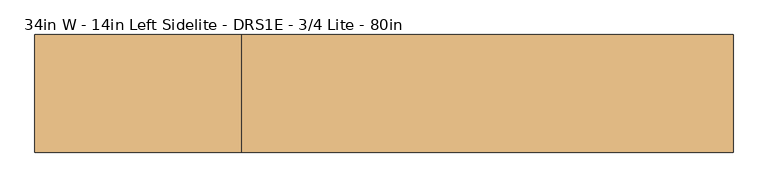
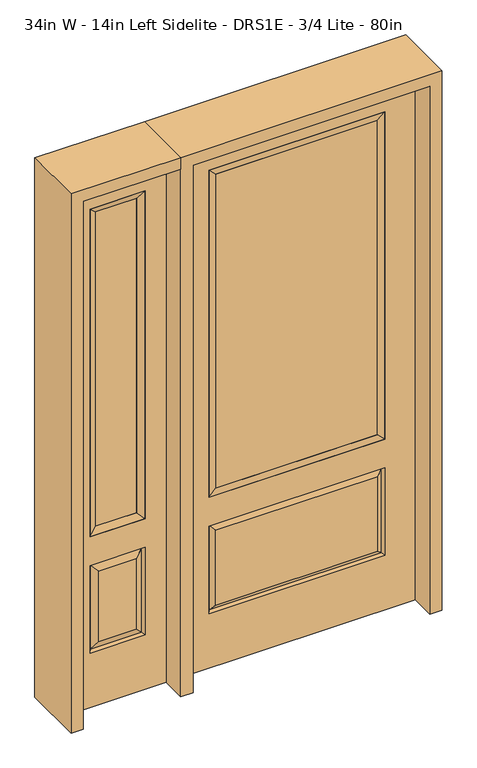
"""IFC4 building model written with IfcOpenShell, lengths in millimetres: door geometry, 34in W - 14in Left Sidelite - DRS1E - 3/4 Lite - 80in."""

from ifc_helpers import new_model, si_unit, frame, origin, place, context, project, spatial, polyline, outline, extrude, faceted_brep, source, transform, mapped, element, save


def door_34in_w_14in_left_sidelite_drs1e_3_4_lite_80in_abe314d8(model_context):
    return source(origin(), model_context, "Body", "SolidModel", [
        faceted_brep([(-831.85, -22.225, 0.0), (-476.25, -22.225, 0.0), (-476.25, -22.225, 2032.0), (-831.85, -22.225, 2032.0), (-553.72, -22.225, 1919.224), (-553.72, -22.225, 657.098), (-754.38, -22.225, 657.098), (-754.38, -22.225, 1919.224), (-553.72, -22.225, 209.55), (-754.38, -22.225, 209.55), (-754.38, -22.225, 546.1), (-553.72, -22.225, 546.1), (-722.6648999, -22.225, 241.2651001), (-585.4351001, -22.225, 241.2651001), (-585.4351001, -22.225, 514.3848999), (-722.6648999, -22.225, 514.3848999), (-831.85, 22.225, 0.0), (-831.85, 22.225, 2032.0), (-476.25, 22.225, 2032.0), (-476.25, 22.225, 0.0), (-553.72, 22.225, 1919.224), (-754.38, 22.225, 1919.224), (-754.38, 22.225, 657.098), (-553.72, 22.225, 657.098), (-754.38, 22.225, 209.55), (-553.72, 22.225, 209.55), (-553.72, 22.225, 546.1), (-754.38, 22.225, 546.1), (-585.4351001, 22.225, 241.2651001), (-722.6648999, 22.225, 241.2651001), (-722.6648999, 22.225, 514.3848999), (-585.4351001, 22.225, 514.3848999), (-560.8288501, 12.7912373, 216.6588501), (-747.2711499, 12.7912373, 216.6588501), (-747.2711499, 12.7912373, 538.9911499), (-560.8288501, 12.7912373, 538.9911499), (-747.2711499, -12.7912373, 216.6588501), (-560.8288501, -12.7912373, 216.6588501), (-747.2711499, -12.7912373, 538.9911499), (-560.8288501, -12.7912373, 538.9911499)], [[[0, 1, 2, 3], [4, 5, 6, 7], [8, 9, 10, 11]], [[12, 13, 14, 15]], [[16, 17, 18, 19], [20, 21, 22, 23], [24, 25, 26, 27]], [[28, 29, 30, 31]], [[1, 0, 16, 19]], [[2, 1, 19, 18]], [[3, 2, 18, 17]], [[0, 3, 17, 16]], [[5, 4, 20, 23]], [[6, 5, 23, 22]], [[7, 6, 22, 21]], [[4, 7, 21, 20]], [[32, 33, 29, 28]], [[33, 32, 25, 24]], [[29, 33, 34, 30]], [[33, 24, 27, 34]], [[30, 34, 35, 31]], [[34, 27, 26, 35]], [[32, 28, 31, 35]], [[25, 32, 35, 26]], [[12, 36, 37, 13]], [[37, 36, 9, 8]], [[36, 12, 15, 38]], [[9, 36, 38, 10]], [[38, 15, 14, 39]], [[10, 38, 39, 11]], [[13, 37, 39, 14]], [[37, 8, 11, 39]]]),
        faceted_brep([(-754.38, 22.225, 1919.224), (-754.38, -22.225, 1919.224), (-553.72, -22.225, 1919.224), (-553.72, 22.225, 1919.224), (-728.98, 12.7, 1893.824), (-579.12, 12.7, 1893.824), (-728.98, -12.7, 1893.824), (-579.12, -12.7, 1893.824), (-553.72, -22.225, 657.098), (-553.72, 22.225, 657.098), (-579.12, 12.7, 682.498), (-579.12, -12.7, 682.498), (-754.38, -22.225, 657.098), (-754.38, 22.225, 657.098), (-728.98, 12.7, 682.498), (-728.98, -12.7, 682.498)], [[[0, 1, 2, 3]], [[4, 0, 3, 5]], [[6, 4, 5, 7]], [[1, 6, 7, 2]], [[3, 2, 8, 9]], [[5, 3, 9, 10]], [[7, 5, 10, 11]], [[2, 7, 11, 8]], [[9, 8, 12, 13]], [[10, 9, 13, 14]], [[11, 10, 14, 15]], [[8, 11, 15, 12]], [[13, 12, 1, 0]], [[14, 13, 0, 4]], [[15, 14, 4, 6]], [[12, 15, 6, 1]]]),
        extrude(outline(polyline([(-579.12, -12.7), (-728.98, -12.7), (-728.98, 12.7), (-579.12, 12.7), (-579.12, -12.7)])), frame((0.0, 0.0, 682.498), z_axis=(0.0, 0.0, 1.0), x_axis=(1.0, 0.0, 0.0)), (0.0, 0.0, 1.0), 1211.326),
        faceted_brep([(-313.5661499, -12.7912373, 216.6588501), (313.5661499, -12.7912373, 216.6588501), (296.06875, -22.225, 234.15625), (-296.06875, -22.225, 234.15625), (-320.675, -22.225, 209.55), (320.675, -22.225, 209.55), (-313.5661499, -12.7912373, 538.9911499), (-320.675, -22.225, 546.1), (296.06875, -22.225, 521.49375), (-296.06875, -22.225, 521.49375), (431.8, -22.225, 2032.0), (-431.8, -22.225, 2032.0), (-431.8, -22.225, 0.0), (431.8, -22.225, 0.0), (320.675, -22.225, 546.1), (320.675, -22.225, 1917.7), (320.675, -22.225, 657.098), (-320.675, -22.225, 657.098), (-320.675, -22.225, 1917.7), (313.5661499, -12.7912373, 538.9911499), (-431.8, 22.225, 2032.0), (-431.8, 22.225, 0.0), (431.8, 22.225, 0.0), (431.8, 22.225, 2032.0), (320.675, 22.225, 1917.7), (320.675, 22.225, 657.098), (-320.675, 22.225, 657.098), (-320.675, 22.225, 1917.7), (-320.675, 22.225, 209.55), (320.675, 22.225, 209.55), (320.675, 22.225, 546.1), (-320.675, 22.225, 546.1), (296.06875, 22.225, 234.15625), (-296.06875, 22.225, 234.15625), (-296.06875, 22.225, 521.49375), (296.06875, 22.225, 521.49375), (-313.5661499, 12.7912373, 216.6588501), (313.5661499, 12.7912373, 216.6588501), (313.5661499, 12.7912373, 538.9911499), (-313.5661499, 12.7912373, 538.9911499)], [[[0, 1, 2, 3]], [[1, 0, 4, 5]], [[4, 0, 6, 7]], [[3, 2, 8, 9]], [[10, 11, 12, 13], [5, 4, 7, 14], [15, 16, 17, 18]], [[1, 5, 14, 19]], [[2, 1, 19, 8]], [[0, 3, 9, 6]], [[7, 6, 19, 14]], [[6, 9, 8, 19]], [[12, 11, 20, 21]], [[13, 12, 21, 22]], [[10, 13, 22, 23]], [[16, 15, 24, 25]], [[17, 16, 25, 26]], [[18, 17, 26, 27]], [[23, 22, 21, 20], [28, 29, 30, 31], [24, 27, 26, 25]], [[32, 33, 34, 35]], [[28, 36, 37, 29]], [[29, 37, 38, 30]], [[39, 31, 30, 38]], [[36, 28, 31, 39]], [[37, 36, 33, 32]], [[33, 36, 39, 34]], [[34, 39, 38, 35]], [[37, 32, 35, 38]], [[11, 10, 23, 20]], [[15, 18, 27, 24]]]),
        faceted_brep([(-320.675, -22.225, 1917.7), (-320.675, 22.225, 1917.7), (-320.675, 22.225, 657.098), (-320.675, -22.225, 657.098), (320.675, 22.225, 657.098), (320.675, -22.225, 657.098), (-295.275, 5.08, 682.498), (295.275, 5.08, 682.498), (320.675, 22.225, 1917.7), (320.675, -22.225, 1917.7), (-295.275, -20.32, 682.498), (295.275, -20.32, 682.498), (-295.275, -20.32, 1892.3), (295.275, -20.32, 1892.3), (-295.275, 5.08, 1892.3), (295.275, 5.08, 1892.3)], [[[0, 1, 2, 3]], [[3, 2, 4, 5]], [[2, 6, 7, 4]], [[5, 4, 8, 9]], [[10, 3, 5, 11]], [[12, 0, 3, 10]], [[11, 5, 9, 13]], [[6, 10, 11, 7]], [[14, 12, 10, 6]], [[7, 11, 13, 15]], [[1, 14, 6, 2]], [[4, 7, 15, 8]], [[9, 8, 1, 0]], [[13, 9, 0, 12]], [[15, 13, 12, 14]], [[8, 15, 14, 1]]]),
        extrude(outline(polyline([(295.275, -20.32), (-295.275, -20.32), (-295.275, 5.08), (295.275, 5.08), (295.275, -20.32)])), frame((0.0, 0.0, 682.498), z_axis=(0.0, 0.0, 1.0), x_axis=(1.0, 0.0, 0.0)), (0.0, 0.0, 1.0), 1209.802),
        extrude(outline(polyline([(2032.0, -476.25), (2076.45, -476.25), (2076.45, -876.3), (0.0, -876.3), (0.0, -831.85), (2032.0, -831.85), (2032.0, -476.25)])), frame((0.0, -114.3, 0.0), z_axis=(0.0, 1.0, 0.0), x_axis=(0.0, 0.0, 1.0)), (0.0, 0.0, 1.0), 228.6),
        extrude(outline(polyline([(2076.45, -476.25), (0.0, -476.25), (0.0, -431.8), (2032.0, -431.8), (2032.0, 431.8), (0.0, 431.8), (0.0, 476.25), (2076.45, 476.25), (2076.45, -476.25)])), frame((0.0, -114.3, 0.0), z_axis=(0.0, 1.0, 0.0), x_axis=(0.0, 0.0, 1.0)), (0.0, 0.0, 1.0), 228.6),
    ])


if __name__ == "__main__":
    model = new_model("IFC4")
    model_context = context("Model", 3, world=origin())
    ifc_project = project(units=[si_unit("LENGTHUNIT", "METRE", prefix="MILLI")], contexts=[model_context])
    site = spatial("IfcSite", under=ifc_project)
    building = spatial("IfcBuilding", under=site)
    placement = place(None, origin())
    door_34in_w_14in_left_sidelite_drs1e_3_4_lite_80in_shape = door_34in_w_14in_left_sidelite_drs1e_3_4_lite_80in_abe314d8(model_context)
    element("IfcDoor", 1, ObjectType="34in W - 14in Left Sidelite - DRS1E - 3/4 Lite - 80in", at=placement, inside=building, context=model_context, shape_type="MappedRepresentation", body=[
        mapped(door_34in_w_14in_left_sidelite_drs1e_3_4_lite_80in_shape, transform((0.0, 0.0, 0.0), x_axis=(1.0, 0.0, 0.0), y_axis=(0.0, 1.0, 0.0), z_axis=(0.0, 0.0, 1.0))),
    ])
    save(model, "model.ifc")
